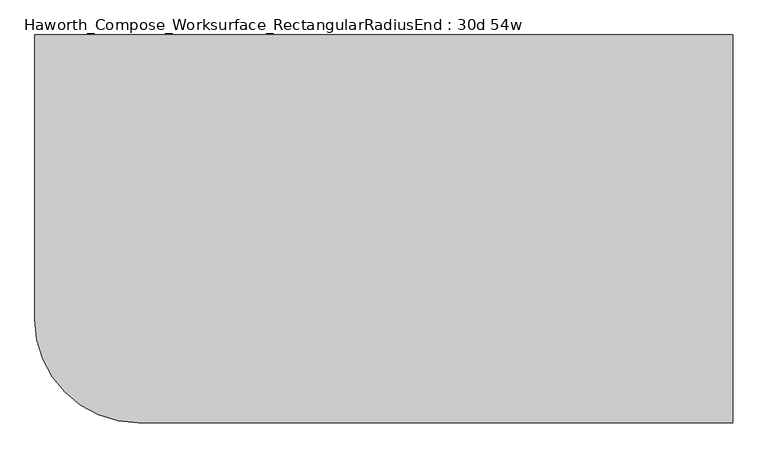
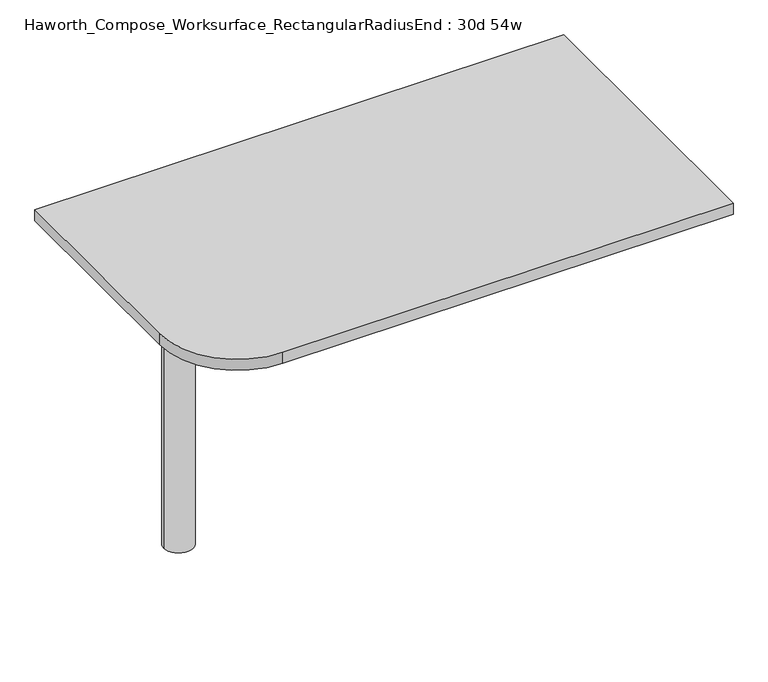
"""IFC4 building model written with IfcOpenShell, lengths in millimetres: furniture geometry, Haworth_Compose_Worksurface_RectangularRadiusEnd : 30d 54w."""

from ifc_helpers import new_model, si_unit, point, frame, frame_2d, origin, place, context, project, spatial, polyline, circle_curve, trimmed, segment, composite_curve, outline, extrude, source, transform, mapped, element, save
from ifc_brep_helpers import plane_surface, cylinder_surface, revolved_surface, advanced_brep


def haworth_compose_worksurface_rectangularradiusend_30d_54w_e3a8df3b(model_context):
    return source(origin(), model_context, "Body", "SolidModel", [
        advanced_brep(
        [(680.24375, 381.0, 475.45625), (680.24375, 365.125, 475.45625), (680.24375, -25.4, 691.7192568), (680.24375, -25.4, 704.05625), (680.24375, 365.125, 704.05625), (680.24375, 381.0, 704.05625), (680.24375, 297.690072, 665.95625), (680.24375, 254.0355284, 665.95625), (680.24375, 251.3564235, 656.3705539), (680.24375, 343.0776173, 605.5776439), (680.24375, 352.425, 611.1756969), (680.24375, 352.425, 634.6860246), (680.24375, 350.6730055, 637.5242776), (680.24375, 300.7663437, 665.1613425), (682.625, 381.0, 475.45625), (682.625, 381.0, 704.05625), (682.625, 365.125, 704.05625), (682.625, 365.125, 706.4375), (682.625, -25.4, 706.4375), (682.625, -25.4, 691.7192568), (682.625, 365.125, 475.45625), (682.625, 297.690072, 665.95625), (682.625, 300.7663437, 665.1613425), (682.625, 350.6730055, 637.5242776), (682.625, 352.425, 634.6860246), (682.625, 352.425, 611.1756969), (682.625, 343.0776173, 605.5776439), (682.625, 251.3564235, 656.3705539), (682.625, 254.0355284, 665.95625), (641.35, -25.4, 706.4375), (641.35, -25.4, 704.05625), (641.35, 365.125, 704.05625), (641.35, 365.125, 706.4375)],
        [
            (0, 1),
            (1, 2),
            (2, 3),
            (3, 4),
            (4, 5),
            (5, 0),
            (6, 7),
            (7, 8, circle_curve(frame((680.24375, 254.0355284, 660.7890106), z_axis=(1.0, 0.0, 0.0), x_axis=(0.0, -1.0, 0.0)), 5.1672394)),
            (8, 9),
            (9, 10, circle_curve(frame((680.24375, 346.075, 611.1756969), z_axis=(1.0, 0.0, 0.0), x_axis=(0.0, -1.0, 0.0)), 6.35)),
            (10, 11),
            (11, 12, circle_curve(frame((680.24375, 349.25, 634.6860246), z_axis=(1.0, 0.0, 0.0), x_axis=(0.0, -1.0, 0.0)), 3.175)),
            (12, 13),
            (13, 6, circle_curve(frame((680.24375, 297.690072, 659.60625), z_axis=(1.0, 0.0, 0.0), x_axis=(0.0, -1.0, 0.0)), 6.35)),
            (14, 15),
            (15, 16),
            (16, 17),
            (17, 18),
            (18, 19),
            (19, 20),
            (20, 14),
            (21, 22, circle_curve(frame((682.625, 297.690072, 659.60625), z_axis=(-1.0, 0.0, 0.0), x_axis=(0.0, -1.0, 0.0)), 6.35)),
            (22, 23),
            (23, 24, circle_curve(frame((682.625, 349.25, 634.6860246), z_axis=(-1.0, 0.0, 0.0), x_axis=(0.0, -1.0, 0.0)), 3.175)),
            (24, 25),
            (25, 26, circle_curve(frame((682.625, 346.075, 611.1756969), z_axis=(-1.0, 0.0, 0.0), x_axis=(0.0, -1.0, 0.0)), 6.35)),
            (26, 27),
            (27, 28, circle_curve(frame((682.625, 254.0355284, 660.7890106), z_axis=(-1.0, 0.0, 0.0), x_axis=(0.0, -1.0, 0.0)), 5.1672394)),
            (28, 21),
            (4, 16),
            (15, 5),
            (14, 0),
            (20, 1),
            (19, 2),
            (18, 29),
            (29, 30),
            (30, 3),
            (6, 21),
            (28, 7),
            (9, 26),
            (25, 10),
            (24, 11),
            (23, 12),
            (27, 8),
            (31, 4),
            (30, 31),
            (32, 29),
            (17, 32),
            (31, 32),
            (22, 13),
        ],
        [
            plane_surface(frame((680.24375, 381.0, 475.45625), z_axis=(-1.0, 0.0, 0.0), x_axis=(0.0, 1.0, 0.0))),
            plane_surface(frame((682.625, 381.0, 475.45625), z_axis=(1.0, 0.0, 0.0), x_axis=(0.0, -1.0, 0.0))),
            plane_surface(frame((682.625, -25.4, 704.05625), z_axis=(0.0, 0.0, 1.0), x_axis=(-1.0, 0.0, 0.0))),
            plane_surface(frame((682.625, 381.0, 704.05625), z_axis=(0.0, 1.0, 0.0), x_axis=(-1.0, 0.0, 0.0))),
            plane_surface(frame((682.625, 381.0, 475.45625), z_axis=(0.0, 0.0, -1.0), x_axis=(-1.0, 0.0, 0.0))),
            plane_surface(frame((682.625, 365.125, 475.45625), z_axis=(0.0, -0.48445223513455843, -0.8748177135112952), x_axis=(-1.0, 0.0, 0.0))),
            plane_surface(frame((682.625, -25.4, 691.7192568), z_axis=(0.0, -1.0, 0.0), x_axis=(-1.0, 0.0, 0.0))),
            plane_surface(frame((682.625, 297.690072, 665.95625), z_axis=(0.0, 0.0, -1.0), x_axis=(-1.0, 0.0, 0.0))),
            revolved_surface(polyline([(680.24375, 339.72499999999997, 611.1756969), (682.625, 339.72499999999997, 611.1756969)]), (682.625, 346.075, 611.1756969), (-1.0, 0.0, 0.0)),
            plane_surface(frame((682.625, 352.425, 611.1756969), z_axis=(0.0, -1.0, 0.0), x_axis=(-1.0, 0.0, 0.0))),
            revolved_surface(polyline([(680.24375, 346.075, 634.6860246), (682.625, 346.075, 634.6860246)]), (682.625, 349.25, 634.6860246), (-1.0, 0.0, 0.0)),
            revolved_surface(polyline([(680.24375, 248.868289, 660.7890106), (682.625, 248.868289, 660.7890106)]), (682.625, 254.0355284, 660.7890106), (-1.0, 0.0, 0.0)),
            plane_surface(frame((682.625, 365.125, 704.05625), z_axis=(0.0, 0.0, -1.0), x_axis=(-1.0, 0.0, 0.0))),
            plane_surface(frame((682.625, 365.125, 706.4375), z_axis=(0.0, 0.0, 1.0), x_axis=(1.0, 0.0, 0.0))),
            plane_surface(frame((641.35, 365.125, 706.4375), z_axis=(0.0, 1.0, 0.0), x_axis=(0.0, 0.0, -1.0))),
            plane_surface(frame((641.35, -25.4, 706.4375), z_axis=(-1.0, 0.0, 0.0), x_axis=(0.0, 0.0, -1.0))),
            plane_surface(frame((682.625, 251.3564235, 656.3705539), z_axis=(0.0, 0.4844522351345583, 0.8748177135112953), x_axis=(-1.0, 0.0, 0.0))),
            plane_surface(frame((682.625, 350.6730055, 637.5242776), z_axis=(0.0, -0.4844522351345582, -0.8748177135112953), x_axis=(-1.0, 0.0, 0.0))),
            revolved_surface(polyline([(680.24375, 291.34007199999996, 659.60625), (682.625, 291.34007199999996, 659.60625)]), (682.625, 297.690072, 659.60625), (-1.0, 0.0, 0.0)),
        ],
        [
            (0, [[1, 2, 3, 4, 5, 6], [7, 8, 9, 10, 11, 12, 13, 14]]),
            (1, [[15, 16, 17, 18, 19, 20, 21], [22, 23, 24, 25, 26, 27, 28, 29]]),
            (2, [[-5, 30, -16, 31]]),
            (3, [[-31, -15, 32, -6]]),
            (4, [[-32, -21, 33, -1]]),
            (5, [[-33, -20, 34, -2]]),
            (6, [[-34, -19, 35, 36, 37, -3]]),
            (7, [[38, -29, 39, -7]]),
            (8, [[40, -26, 41, -10]]),
            (9, [[-41, -25, 42, -11]]),
            (10, [[-42, -24, 43, -12]]),
            (11, [[-39, -28, 44, -8]]),
            (12, [[45, -4, -37, 46]]),
            (13, [[47, -35, -18, 48]]),
            (14, [[-17, -30, -45, 49, -48]]),
            (15, [[-36, -47, -49, -46]]),
            (16, [[-44, -27, -40, -9]]),
            (17, [[-43, -23, 50, -13]]),
            (18, [[-50, -22, -38, -14]]),
        ],
    ),
        advanced_brep(
        [(-495.3, 0.0, 706.4375), (-571.5, 0.0, 706.4375), (-533.4, 0.0, 706.4375), (-495.3, 0.0, 0.0), (-571.5, 0.0, 0.0), (-533.4, 0.0, 0.0)],
        [
            (0, 1, circle_curve(frame((-533.4, 0.0, 706.4375), z_axis=(0.0, 0.0, 1.0), x_axis=(-1.0, 0.0, 0.0)), 38.1)),
            (1, 2),
            (2, 0),
            (1, 0, circle_curve(frame((-533.4, 0.0, 706.4375), z_axis=(0.0, 0.0, 1.0), x_axis=(-1.0, 0.0, 0.0)), 38.1)),
            (3, 4, circle_curve(frame((-533.4, 0.0, 0.0), z_axis=(0.0, 0.0, 1.0), x_axis=(-1.0, 0.0, 0.0)), 38.1)),
            (4, 1),
            (0, 3),
            (4, 3, circle_curve(frame((-533.4, 0.0, 0.0), z_axis=(0.0, 0.0, 1.0), x_axis=(-1.0, 0.0, 0.0)), 38.1)),
            (5, 4),
            (3, 5),
        ],
        [
            plane_surface(frame((-533.4, 0.0, 706.4375), z_axis=(0.0, 0.0, 1.0), x_axis=(-1.0, 0.0, 0.0))),
            cylinder_surface(frame((-533.4, 0.0, 889.623257), z_axis=(0.0, 0.0, -1.0), x_axis=(-1.0, 0.0, 0.0)), 38.1),
            plane_surface(frame((-533.4, 0.0, 0.0), z_axis=(0.0, 0.0, -1.0), x_axis=(-1.0, 0.0, 0.0))),
        ],
        [
            (0, [[1, 2, 3]]),
            (0, [[4, -3, -2]]),
            (1, [[5, 6, -1, 7]]),
            (1, [[8, -7, -4, -6]]),
            (2, [[9, -5, 10]]),
            (2, [[-10, -8, -9]]),
        ],
    ),
        extrude(outline(composite_curve([segment(polyline([(685.8, 381.0), (685.8, -381.0), (-482.6, -381.0)]), True, "CONTINUOUS"), segment(trimmed(circle_curve(frame_2d((-482.6, -177.8)), 203.2), [point((-482.6, -381.0))], [point((-685.8, -177.8))], False, "CARTESIAN"), True, "CONTINUOUS"), segment(polyline([(-685.8, -177.8), (-685.8, 381.0), (685.8, 381.0)]), True, "CONTINUOUS")], self_intersect=False)), frame((0.0, 0.0, 706.4375), z_axis=(0.0, 0.0, 1.0), x_axis=(1.0, 0.0, 0.0)), (0.0, 0.0, 1.0), 30.1625),
    ])


if __name__ == "__main__":
    model = new_model("IFC4")
    model_context = context("Model", 3, world=origin())
    ifc_project = project(units=[si_unit("LENGTHUNIT", "METRE", prefix="MILLI")], contexts=[model_context])
    site = spatial("IfcSite", under=ifc_project)
    building = spatial("IfcBuilding", under=site)
    placement = place(None, origin())
    haworth_compose_worksurface_rectangularradiusend_30d_54w_shape = haworth_compose_worksurface_rectangularradiusend_30d_54w_e3a8df3b(model_context)
    element("IfcFurniture", 1, ObjectType="Haworth_Compose_Worksurface_RectangularRadiusEnd : 30d 54w", at=placement, inside=building, context=model_context, shape_type="MappedRepresentation", body=[
        mapped(haworth_compose_worksurface_rectangularradiusend_30d_54w_shape, transform((0.0, 0.0, 0.0), x_axis=(1.0, 0.0, 0.0), y_axis=(0.0, 1.0, 0.0), z_axis=(0.0, 0.0, 1.0))),
    ])
    save(model, "model.ifc")
